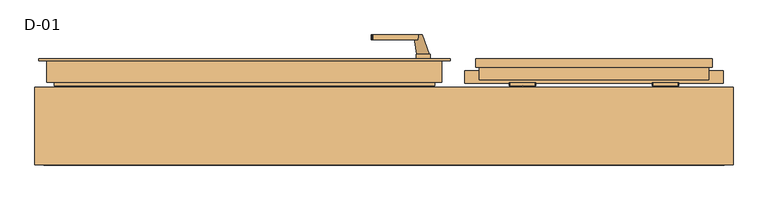
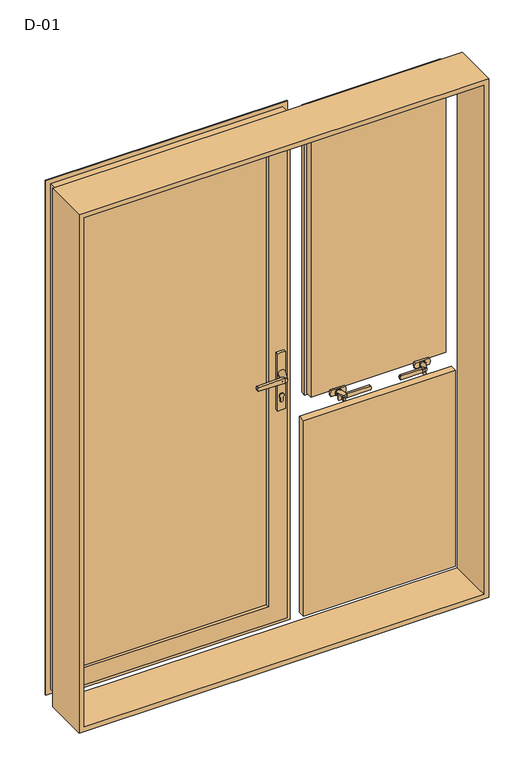
"""IFC4 building model written with IfcOpenShell, lengths in millimetres: door geometry, D-01."""

from ifc_helpers import new_model, si_unit, point, frame, frame_2d, origin, place, context, project, spatial, polyline, circle_curve, ellipse_curve, trimmed, segment, composite_curve, outline, extrude, faceted_brep, source, transform, mapped, element, save
from ifc_brep_helpers import plane_surface, revolved_surface, spline_surface, advanced_brep


def d_01_6885679a(model_context):
    return source(origin(), model_context, "Body", "SolidModel", [
        extrude(outline(polyline([(54.0295117, 81.3929004), (-649.0295117, 81.3929004), (-649.0295117, 107.3929004), (54.0295117, 107.3929004), (54.0295117, 81.3929004)])), frame((0.0, 0.0, 100.9705278), z_axis=(0.0, 0.0, 1.0), x_axis=(1.0, 0.0, 0.0)), (0.0, 0.0, 1.0), 1841.4295117),
        extrude(outline(polyline([(692.4, 81.9927198), (202.6, 81.9927198), (202.6, 107.9927198), (692.4, 107.9927198), (692.4, 81.9927198)])), frame((0.0, 0.0, 852.6000396), z_axis=(0.0, 0.0, 1.0), x_axis=(1.0, 0.0, 0.0)), (0.0, 0.0, 1.0), 1089.8),
        extrude(outline(polyline([(723.0, 74.3927452), (172.0, 74.3927452), (172.0, 100.3927452), (723.0, 100.3927452), (723.0, 74.3927452)])), frame((0.0, 0.0, 26.9999604), z_axis=(0.0, 0.0, 1.0), x_axis=(1.0, 0.0, 0.0)), (0.0, 0.0, 1.0), 751.0000396),
        extrude(outline(polyline([(1993.8, 743.8), (1993.8, -743.8), (6.2, -743.8), (6.2, 743.8), (1993.8, 743.8)]), holes=[polyline([(24.7, 725.3), (24.7, -725.3), (1975.3, -725.3), (1975.3, 725.3), (24.7, 725.3)])]), frame((0.0, -100.0, 0.0), z_axis=(0.0, 1.0, 0.0), x_axis=(0.0, 0.0, 1.0)), (0.0, 0.0, 1.0), 165.9999813),
        advanced_brep(
        [(41.0295117, 114.7230026, 1886.0295117), (41.0295117, 114.7230026, 113.9704883), (38.8870152, 107.3929004, 116.1129848), (38.8870152, 107.3929004, 1883.8870152), (61.0295117, 107.3929004, 93.9704883), (61.0295117, 107.3929004, 1906.0295117), (-656.0295117, 107.3929004, 1906.0295117), (-656.0295117, 107.3929004, 93.9704883), (-633.8870152, 107.3929004, 116.1129848), (-633.8870152, 107.3929004, 1883.8870152), (-636.0295117, 114.7230026, 113.9704883), (41.0295117, 126.0000928, 1886.0295117), (41.0295117, 126.0000928, 113.9704883), (-636.0295117, 126.0000928, 113.9704883), (61.0295117, 126.0000928, 1906.0295117), (61.0295117, 126.0000928, 93.9704883), (-656.0295117, 126.0000928, 93.9704883), (-656.0295117, 126.0000928, 1906.0295117), (-636.0295117, 126.0000928, 1886.0295117), (-636.0295117, 114.7230026, 1886.0295117)],
        [
            (0, 1),
            (1, 2, ellipse_curve(frame((21.4221, 116.4758386, 133.5779), z_axis=(-0.7071067811865475, 0.0, -0.7071067811865475), x_axis=(0.7071067811865474, 0.0, -0.7071067811865476)), 27.839649, 19.6856046)),
            (2, 3),
            (3, 0, ellipse_curve(frame((21.4221, 116.4758386, 1866.4221), z_axis=(-0.7071067811865475, 0.0, 0.7071067811865475), x_axis=(-0.7071067811865474, 0.0, -0.7071067811865476)), 27.839649, 19.6856046)),
            (4, 5),
            (5, 6),
            (6, 7),
            (7, 4),
            (2, 8),
            (8, 9),
            (9, 3),
            (1, 10),
            (10, 8, ellipse_curve(frame((-616.4221, 116.4758386, 133.5779), z_axis=(-0.7071067811865475, 0.0, 0.7071067811865475), x_axis=(-0.7071067811865476, 0.0, -0.7071067811865474)), 27.839649, 19.6856046)),
            (11, 12),
            (12, 1),
            (0, 11),
            (12, 13),
            (13, 10),
            (14, 15),
            (15, 16),
            (16, 17),
            (17, 14),
            (11, 18),
            (18, 13),
            (4, 15),
            (14, 5),
            (7, 16),
            (10, 19),
            (19, 9, ellipse_curve(frame((-616.4221, 116.4758386, 1866.4221), z_axis=(0.7071067811865475, 0.0, 0.7071067811865475), x_axis=(-0.7071067811865474, 0.0, 0.7071067811865476)), 27.839649, 19.6856046)),
            (18, 19),
            (6, 17),
            (19, 0),
        ],
        [
            revolved_surface(polyline([(41.107704600000005, 116.4758386, 113.8922954062466), (41.107704600000005, 116.4758386, 1886.1077045937534)]), (21.4221, 116.4758386, 1906.0295117), (0.0, 0.0, -1.0)),
            plane_surface(frame((-656.0295117, 107.3929004, 1906.0295117), z_axis=(0.0, -1.0, 0.0), x_axis=(1.0, 0.0, 0.0))),
            revolved_surface(polyline([(-636.1077045937534, 116.4758386, 113.8922954), (41.10770459375328, 116.4758386, 113.8922954)]), (61.0295117, 116.4758386, 133.5779), (-1.0, 0.0, 0.0)),
            plane_surface(frame((41.0295117, 114.7230026, 1886.0295117), z_axis=(-1.0, 0.0, 0.0), x_axis=(0.0, 0.0, -1.0))),
            plane_surface(frame((41.0295117, 114.7230026, 113.9704883), z_axis=(0.0, 0.0, 1.0), x_axis=(-1.0, 0.0, 0.0))),
            plane_surface(frame((-636.0295117, 126.0000928, 1886.0295117), z_axis=(0.0, 1.0, 0.0), x_axis=(1.0, 0.0, 0.0))),
            plane_surface(frame((61.0295117, 126.0000928, 1906.0295117), z_axis=(1.0, 0.0, 0.0), x_axis=(0.0, 0.0, -1.0))),
            plane_surface(frame((61.0295117, 126.0000928, 93.9704883), z_axis=(0.0, 0.0, -1.0), x_axis=(-1.0, 0.0, 0.0))),
            revolved_surface(polyline([(-636.1077046, 116.4758386, 1886.1077045937534), (-636.1077046, 116.4758386, 113.89229540624672)]), (-616.4221, 116.4758386, 93.9704883), (0.0, 0.0, 1.0)),
            plane_surface(frame((-636.0295117, 114.7230026, 113.9704883), z_axis=(1.0, 0.0, 0.0), x_axis=(0.0, 0.0, 1.0))),
            plane_surface(frame((-656.0295117, 126.0000928, 93.9704883), z_axis=(-1.0, 0.0, 0.0), x_axis=(0.0, 0.0, 1.0))),
            revolved_surface(polyline([(41.10770459375328, 116.4758386, 1886.1077046), (-636.1077045937533, 116.4758386, 1886.1077046)]), (-656.0295117, 116.4758386, 1866.4221), (1.0, 0.0, 0.0)),
            plane_surface(frame((-636.0295117, 114.7230026, 1886.0295117), z_axis=(0.0, 0.0, -1.0), x_axis=(1.0, 0.0, 0.0))),
            plane_surface(frame((-656.0295117, 126.0000928, 1906.0295117), z_axis=(0.0, 0.0, 1.0), x_axis=(1.0, 0.0, 0.0))),
        ],
        [
            (0, [[1, 2, 3, 4]]),
            (1, [[5, 6, 7, 8], [-3, 9, 10, 11]]),
            (2, [[12, 13, -9, -2]]),
            (3, [[14, 15, -1, 16]]),
            (4, [[17, 18, -12, -15]]),
            (5, [[19, 20, 21, 22], [-14, 23, 24, -17]]),
            (6, [[-5, 25, -19, 26]]),
            (7, [[-8, 27, -20, -25]]),
            (8, [[28, 29, -10, -13]]),
            (9, [[-24, 30, -28, -18]]),
            (10, [[-7, 31, -21, -27]]),
            (11, [[32, -4, -11, -29]]),
            (12, [[-23, -16, -32, -30]]),
            (13, [[-6, -26, -22, -31]]),
        ],
    ),
        extrude(outline(composite_curve([segment(trimmed(circle_curve(frame_2d((895.7, 83.5)), 5.0), [point((895.7, 78.5))], [point((895.7, 88.5))], False, "CARTESIAN"), True, "CONTINUOUS"), segment(polyline([(895.7, 88.5), (908.3261365, 88.5)]), True, "CONTINUOUS"), segment(trimmed(circle_curve(frame_2d((915.2, 83.5)), 8.5), [point((908.3261365, 88.5))], [point((908.3261365, 78.5))], False, "CARTESIAN"), True, "CONTINUOUS"), segment(polyline([(908.3261365, 78.5), (895.7, 78.5)]), True, "CONTINUOUS")], self_intersect=False)), frame((0.0, 58.0000848, 0.0), z_axis=(0.0, 1.0, 0.0), x_axis=(0.0, 0.0, 1.0)), (0.0, 0.0, 1.0), 11.0),
        extrude(outline(composite_curve([segment(polyline([(860.0, 98.4), (1078.5, 98.4)]), True, "CONTINUOUS"), segment(trimmed(circle_curve(frame_2d((982.3844339, 83.5)), 97.2636214), [point((1078.5, 98.4))], [point((1078.5, 68.6))], False, "CARTESIAN"), True, "CONTINUOUS"), segment(polyline([(1078.5, 68.6), (860.0, 68.6)]), True, "CONTINUOUS"), segment(trimmed(circle_curve(frame_2d((956.1155661, 83.5)), 97.2636214), [point((860.0, 68.6))], [point((860.0, 98.4))], False, "CARTESIAN"), True, "CONTINUOUS")], self_intersect=False), holes=[composite_curve([segment(trimmed(circle_curve(frame_2d((895.7, 83.5)), 5.0), [point((895.7, 88.5))], [point((895.7, 78.5))], True, "CARTESIAN"), True, "CONTINUOUS"), segment(polyline([(895.7, 78.5), (908.3261365, 78.5)]), True, "CONTINUOUS"), segment(trimmed(circle_curve(frame_2d((915.2, 83.5)), 8.5), [point((908.3261365, 78.5))], [point((908.3261365, 88.5))], True, "CARTESIAN"), True, "CONTINUOUS"), segment(polyline([(908.3261365, 88.5), (895.7, 88.5)]), True, "CONTINUOUS")], self_intersect=False)]), frame((0.0, 59.0000848, 0.0), z_axis=(0.0, 1.0, 0.0), x_axis=(0.0, 0.0, 1.0)), (0.0, 0.0, 1.0), 10.0),
        extrude(outline(composite_curve([segment(polyline([(1009.5, 72.5), (1006.9691269, -24.1501444)]), True, "CONTINUOUS"), segment(trimmed(circle_curve(frame_2d((1004.9698123, -24.0977905)), 2.0), [point((1006.9691269, -24.1501444))], [point((1005.4874503, -26.0296421))], False, "CARTESIAN"), True, "CONTINUOUS"), segment(polyline([(1005.4874503, -26.0296421), (1000.0, -27.5), (994.5125497, -26.0296421)]), True, "CONTINUOUS"), segment(trimmed(circle_curve(frame_2d((995.0301877, -24.0977905)), 2.0), [point((994.5125497, -26.0296421))], [point((993.0308731, -24.1501444))], False, "CARTESIAN"), True, "CONTINUOUS"), segment(polyline([(993.0308731, -24.1501444), (990.5, 72.5), (1009.5, 72.5)]), True, "CONTINUOUS")], self_intersect=False)), frame((0.0, 18.0000848, 0.0), z_axis=(0.0, 1.0, 0.0), x_axis=(0.0, 0.0, 1.0)), (0.0, 0.0, 1.0), 10.0),
        advanced_brep(
        [(82.0, 18.0000848, 1000.0), (63.0, 18.0000848, 1000.0), (96.9, 59.0000848, 1000.0), (70.1, 59.0000848, 1000.0)],
        [
            (0, 1, circle_curve(frame((72.5, 18.0000848, 1000.0), z_axis=(0.0, -1.0, 0.0), x_axis=(-1.0, 0.0, 0.0)), 9.5)),
            (1, 0, circle_curve(frame((72.5, 18.0000848, 1000.0), z_axis=(0.0, -1.0, 0.0), x_axis=(-1.0, 0.0, 0.0)), 9.5)),
            (2, 3, circle_curve(frame((83.5, 59.0000848, 1000.0), z_axis=(0.0, 1.0, 0.0), x_axis=(-1.0, 0.0, 0.0)), 13.4)),
            (3, 2, circle_curve(frame((83.5, 59.0000848, 1000.0), z_axis=(0.0, 1.0, 0.0), x_axis=(-1.0, 0.0, 0.0)), 13.4)),
            (2, 0),
            (1, 3),
        ],
        [
            plane_surface(frame((72.5, 18.0000848, 1000.0), z_axis=(0.0, -1.0, 0.0), x_axis=(0.0, 0.0, -1.0))),
            plane_surface(frame((83.5, 59.0000848, 1000.0), z_axis=(0.0, 1.0, 0.0), x_axis=(0.0, 0.0, -1.0))),
            spline_surface(1, 2, [[(96.9, 59.0000848, 1000.0), (96.9, 59.0000848, 986.6), (83.5, 59.0000848, 986.6), (70.1, 59.0000848, 986.6), (70.1, 59.0000848, 1000.0)], [(82.0, 18.0000848, 1000.0), (82.0, 18.0000848, 990.5), (72.5, 18.0000848, 990.5), (63.0, 18.0000848, 990.5), (63.0, 18.0000848, 1000.0)]], [2, 2], [3, 2, 3], [0.0, 1.0], [0.0, 1.0, 2.0], weights=[[1.0, 0.7071067811865476, 1.0, 0.7071067811865476, 1.0], [1.0, 0.7071067811865476, 1.0, 0.7071067811865476, 1.0]]),
            spline_surface(1, 2, [[(70.1, 59.0000848, 1000.0), (70.1, 59.0000848, 1013.4), (83.5, 59.0000848, 1013.4), (96.9, 59.0000848, 1013.4), (96.9, 59.0000848, 1000.0)], [(63.0, 18.0000848, 1000.0), (63.0, 18.0000848, 1009.5), (72.5, 18.0000848, 1009.5), (82.0, 18.0000848, 1009.5), (82.0, 18.0000848, 1000.0)]], [2, 2], [3, 2, 3], [0.0, 1.0], [0.0, 1.0, 2.0], weights=[[1.0, 0.7071067811865476, 1.0, 0.7071067811865476, 1.0], [1.0, 0.7071067811865476, 1.0, 0.7071067811865476, 1.0]]),
        ],
        [
            (0, [[1, 2]]),
            (1, [[3, 4]]),
            (2, [[5, -2, 6, -3]]),
            (3, [[-6, -1, -5, -4]]),
        ],
    ),
        extrude(outline(composite_curve([segment(trimmed(circle_curve(frame_2d((895.7, 83.5)), 5.0), [point((895.7, 78.5))], [point((895.7, 88.5))], False, "CARTESIAN"), True, "CONTINUOUS"), segment(polyline([(895.7, 88.5), (908.3261365, 88.5)]), True, "CONTINUOUS"), segment(trimmed(circle_curve(frame_2d((915.2, 83.5)), 8.5), [point((908.3261365, 88.5))], [point((908.3261365, 78.5))], False, "CARTESIAN"), True, "CONTINUOUS"), segment(polyline([(908.3261365, 78.5), (895.7, 78.5)]), True, "CONTINUOUS")], self_intersect=False)), frame((0.0, 126.0000927, 0.0), z_axis=(0.0, 1.0, 0.0), x_axis=(0.0, 0.0, 1.0)), (0.0, 0.0, 1.0), 11.0),
        extrude(outline(composite_curve([segment(polyline([(860.0, 98.4), (1078.5, 98.4)]), True, "CONTINUOUS"), segment(trimmed(circle_curve(frame_2d((982.3844339, 83.5)), 97.2636214), [point((1078.5, 98.4))], [point((1078.5, 68.6))], False, "CARTESIAN"), True, "CONTINUOUS"), segment(polyline([(1078.5, 68.6), (860.0, 68.6)]), True, "CONTINUOUS"), segment(trimmed(circle_curve(frame_2d((956.1155661, 83.5)), 97.2636214), [point((860.0, 68.6))], [point((860.0, 98.4))], False, "CARTESIAN"), True, "CONTINUOUS")], self_intersect=False), holes=[composite_curve([segment(trimmed(circle_curve(frame_2d((895.7, 83.5)), 5.0), [point((895.7, 88.5))], [point((895.7, 78.5))], True, "CARTESIAN"), True, "CONTINUOUS"), segment(polyline([(895.7, 78.5), (908.3261365, 78.5)]), True, "CONTINUOUS"), segment(trimmed(circle_curve(frame_2d((915.2, 83.5)), 8.5), [point((908.3261365, 78.5))], [point((908.3261365, 88.5))], True, "CARTESIAN"), True, "CONTINUOUS"), segment(polyline([(908.3261365, 88.5), (895.7, 88.5)]), True, "CONTINUOUS")], self_intersect=False)]), frame((0.0, 126.0000927, 0.0), z_axis=(0.0, 1.0, 0.0), x_axis=(0.0, 0.0, 1.0)), (0.0, 0.0, 1.0), 10.0),
        extrude(outline(composite_curve([segment(polyline([(1009.5, 72.5), (1006.9691269, -24.1501444)]), True, "CONTINUOUS"), segment(trimmed(circle_curve(frame_2d((1004.9698123, -24.0977905)), 2.0), [point((1006.9691269, -24.1501444))], [point((1005.4874503, -26.0296421))], False, "CARTESIAN"), True, "CONTINUOUS"), segment(polyline([(1005.4874503, -26.0296421), (1000.0, -27.5), (994.5125497, -26.0296421)]), True, "CONTINUOUS"), segment(trimmed(circle_curve(frame_2d((995.0301877, -24.0977905)), 2.0), [point((994.5125497, -26.0296421))], [point((993.0308731, -24.1501444))], False, "CARTESIAN"), True, "CONTINUOUS"), segment(polyline([(993.0308731, -24.1501444), (990.5, 72.5), (1009.5, 72.5)]), True, "CONTINUOUS")], self_intersect=False)), frame((0.0, 167.0000927, 0.0), z_axis=(0.0, 1.0, 0.0), x_axis=(0.0, 0.0, 1.0)), (0.0, 0.0, 1.0), 10.0),
        advanced_brep(
        [(82.0, 177.0000927, 1000.0), (63.0, 177.0000927, 1000.0), (96.9, 136.0000927, 1000.0), (70.1, 136.0000927, 1000.0)],
        [
            (0, 1, circle_curve(frame((72.5, 177.0000927, 1000.0), z_axis=(0.0, 1.0, 0.0), x_axis=(-1.0, 0.0, 0.0)), 9.5)),
            (1, 0, circle_curve(frame((72.5, 177.0000927, 1000.0), z_axis=(0.0, 1.0, 0.0), x_axis=(-1.0, 0.0, 0.0)), 9.5)),
            (2, 3, circle_curve(frame((83.5, 136.0000927, 1000.0), z_axis=(0.0, -1.0, 0.0), x_axis=(-1.0, 0.0, 0.0)), 13.4)),
            (3, 2, circle_curve(frame((83.5, 136.0000927, 1000.0), z_axis=(0.0, -1.0, 0.0), x_axis=(-1.0, 0.0, 0.0)), 13.4)),
            (3, 1),
            (0, 2),
        ],
        [
            plane_surface(frame((72.5, 177.0000927, 1000.0), z_axis=(0.0, 1.0, 0.0), x_axis=(0.0, 0.0, -1.0))),
            plane_surface(frame((83.5, 136.0000927, 1000.0), z_axis=(0.0, -1.0, 0.0), x_axis=(0.0, 0.0, -1.0))),
            spline_surface(2, 1, [[(96.9, 136.0000927, 1000.0), (82.0, 177.0000927, 1000.0)], [(96.9, 136.0000927, 986.6), (82.0, 177.0000927, 990.5)], [(83.5, 136.0000927, 986.6), (72.5, 177.0000927, 990.5)], [(70.1, 136.0000927, 986.6), (63.0, 177.0000927, 990.5)], [(70.1, 136.0000927, 1000.0), (63.0, 177.0000927, 1000.0)]], [3, 2, 3], [2, 2], [0.0, 1.0, 2.0], [0.0, 1.0], weights=[[1.0, 1.0], [0.7071067811865476, 0.7071067811865476], [1.0, 1.0], [0.7071067811865476, 0.7071067811865476], [1.0, 1.0]]),
            spline_surface(2, 1, [[(70.1, 136.0000927, 1000.0), (63.0, 177.0000927, 1000.0)], [(70.1, 136.0000927, 1013.4), (63.0, 177.0000927, 1009.5)], [(83.5, 136.0000927, 1013.4), (72.5, 177.0000927, 1009.5)], [(96.9, 136.0000927, 1013.4), (82.0, 177.0000927, 1009.5)], [(96.9, 136.0000927, 1000.0), (82.0, 177.0000927, 1000.0)]], [3, 2, 3], [2, 2], [0.0, 1.0, 2.0], [0.0, 1.0], weights=[[1.0, 1.0], [0.7071067811865476, 0.7071067811865476], [1.0, 1.0], [0.7071067811865476, 0.7071067811865476], [1.0, 1.0]]),
        ],
        [
            (0, [[1, 2]]),
            (1, [[3, 4]]),
            (2, [[-4, 5, -1, 6]]),
            (3, [[-3, -6, -2, -5]]),
        ],
    ),
        faceted_brep([(141.029509, 122.4000726, 1986.029509), (141.029509, 122.4000726, 13.970491), (141.029509, 126.0000927, 13.970491), (141.029509, 126.0000927, 1986.029509), (-736.029509, 126.0000927, 1986.029509), (-736.029509, 126.0000927, 13.970491), (61.0295117, 126.0000927, 1906.0295117), (-656.0295117, 126.0000927, 1906.0295117), (-656.0295117, 126.0000927, 93.9704883), (61.0295117, 126.0000927, 93.9704883), (-736.029509, 122.4000726, 13.970491), (-736.029509, 122.4000726, 1986.029509), (-718.529519, 122.4000726, 1968.529519), (123.529519, 122.4000726, 1968.529519), (123.529519, 122.4000726, 31.470481), (-718.529519, 122.4000726, 31.470481), (123.529519, 75.9989223, 1968.529519), (123.529519, 75.9989223, 31.470481), (-718.529519, 75.9989223, 31.470481), (-718.529519, 75.9989223, 1968.529519), (-703.0352158, 75.9989223, 1953.0352158), (108.0352158, 75.9989223, 1953.0352158), (108.0352158, 75.9989223, 46.9647842), (-703.0352158, 75.9989223, 46.9647842), (108.0352158, 69.0000848, 1953.0352158), (108.0352158, 69.0000848, 46.9647842), (-703.0352158, 69.0000848, 46.9647842), (-703.0352158, 69.0000848, 1953.0352158), (-636.0300864, 69.0000848, 1886.0300864), (41.0300864, 69.0000848, 1886.0300864), (41.0300864, 69.0000848, 113.9699136), (-636.0300864, 69.0000848, 113.9699136), (41.0300864, 79.598921, 1886.0300864), (41.0300864, 79.598921, 113.9699136), (-636.0300864, 79.598921, 113.9699136), (-656.0295117, 79.598921, 1906.0295117), (61.0295117, 79.598921, 1906.0295117), (61.0295117, 79.598921, 93.9704883), (-656.0295117, 79.598921, 93.9704883), (-636.0300864, 79.598921, 1886.0300864)], [[[0, 1, 2, 3]], [[4, 3, 2, 5], [6, 7, 8, 9]], [[1, 10, 5, 2]], [[0, 11, 10, 1], [12, 13, 14, 15]], [[16, 17, 14, 13]], [[17, 18, 15, 14]], [[16, 19, 18, 17], [20, 21, 22, 23]], [[24, 25, 22, 21]], [[25, 26, 23, 22]], [[24, 27, 26, 25], [28, 29, 30, 31]], [[32, 33, 30, 29]], [[33, 34, 31, 30]], [[35, 36, 37, 38], [32, 39, 34, 33]], [[6, 9, 37, 36]], [[9, 8, 38, 37]], [[10, 11, 4, 5]], [[18, 19, 12, 15]], [[26, 27, 20, 23]], [[34, 39, 28, 31]], [[8, 7, 35, 38]], [[11, 0, 3, 4]], [[19, 16, 13, 12]], [[27, 24, 21, 20]], [[39, 32, 29, 28]], [[7, 6, 36, 35]]]),
        advanced_brep(
        [(679.4, 115.322822, 1929.4000396), (679.4, 115.322822, 865.6000396), (677.2575034, 107.9927198, 867.7425361), (677.2575034, 107.9927198, 1927.257543), (699.4, 107.9927198, 845.6000396), (699.4, 107.9927198, 1949.4000396), (195.6, 107.9927198, 1949.4000396), (195.6, 107.9927198, 845.6000396), (217.7424966, 107.9927198, 867.7425361), (217.7424966, 107.9927198, 1927.257543), (215.6, 115.322822, 865.6000396), (679.4, 126.5999122, 1929.4000396), (679.4, 126.5999122, 865.6000396), (215.6, 126.5999122, 865.6000396), (699.4, 126.5999122, 1949.4000396), (699.4, 126.5999122, 845.6000396), (195.6, 126.5999122, 845.6000396), (195.6, 126.5999122, 1949.4000396), (215.6, 126.5999122, 1929.4000396), (215.6, 115.322822, 1929.4000396)],
        [
            (0, 1),
            (1, 2, ellipse_curve(frame((659.7925883, 117.0756581, 885.2074513), z_axis=(-0.7071067811865475, 0.0, -0.7071067811865475), x_axis=(0.7071067811865474, 0.0, -0.7071067811865476)), 27.839649, 19.6856046)),
            (2, 3),
            (3, 0, ellipse_curve(frame((659.7925883, 117.0756581, 1909.7926278), z_axis=(-0.7071067811865475, 0.0, 0.7071067811865475), x_axis=(-0.7071067811865474, 0.0, -0.7071067811865476)), 27.839649, 19.6856046)),
            (4, 5),
            (5, 6),
            (6, 7),
            (7, 4),
            (2, 8),
            (8, 9),
            (9, 3),
            (1, 10),
            (10, 8, ellipse_curve(frame((235.2074117, 117.0756581, 885.2074513), z_axis=(-0.7071067811865475, 0.0, 0.7071067811865475), x_axis=(-0.7071067811865476, 0.0, -0.7071067811865474)), 27.839649, 19.6856046)),
            (11, 12),
            (12, 1),
            (0, 11),
            (12, 13),
            (13, 10),
            (14, 15),
            (15, 16),
            (16, 17),
            (17, 14),
            (11, 18),
            (18, 13),
            (4, 15),
            (14, 5),
            (7, 16),
            (10, 19),
            (19, 9, ellipse_curve(frame((235.2074117, 117.0756581, 1909.7926278), z_axis=(0.7071067811865475, 0.0, 0.7071067811865475), x_axis=(-0.7071067811865474, 0.0, 0.7071067811865476)), 27.839649, 19.6856046)),
            (18, 19),
            (6, 17),
            (19, 0),
        ],
        [
            revolved_surface(polyline([(679.4781929000001, 117.0756581, 865.5218467062466), (679.4781929000001, 117.0756581, 1929.4782323937534)]), (659.7925883, 117.0756581, 1949.4000396), (0.0, 0.0, -1.0)),
            plane_surface(frame((195.6, 107.9927198, 1949.4000396), z_axis=(0.0, -1.0, 0.0), x_axis=(1.0, 0.0, 0.0))),
            revolved_surface(polyline([(215.52180710624668, 117.0756581, 865.5218467), (679.4781928937533, 117.0756581, 865.5218467)]), (699.4, 117.0756581, 885.2074513), (-1.0, 0.0, 0.0)),
            plane_surface(frame((679.4, 115.322822, 1929.4000396), z_axis=(-1.0, 0.0, 0.0), x_axis=(0.0, 0.0, -1.0))),
            plane_surface(frame((679.4, 115.322822, 865.6000396), z_axis=(0.0, 0.0, 1.0), x_axis=(-1.0, 0.0, 0.0))),
            plane_surface(frame((215.6, 126.5999122, 1929.4000396), z_axis=(0.0, 1.0, 0.0), x_axis=(1.0, 0.0, 0.0))),
            plane_surface(frame((699.4, 126.5999122, 1949.4000396), z_axis=(1.0, 0.0, 0.0), x_axis=(0.0, 0.0, -1.0))),
            plane_surface(frame((699.4, 126.5999122, 845.6000396), z_axis=(0.0, 0.0, -1.0), x_axis=(-1.0, 0.0, 0.0))),
            revolved_surface(polyline([(215.5218071, 117.0756581, 1929.4782323937534), (215.5218071, 117.0756581, 865.5218467062467)]), (235.2074117, 117.0756581, 845.6000396), (0.0, 0.0, 1.0)),
            plane_surface(frame((215.6, 115.322822, 865.6000396), z_axis=(1.0, 0.0, 0.0), x_axis=(0.0, 0.0, 1.0))),
            plane_surface(frame((195.6, 126.5999122, 845.6000396), z_axis=(-1.0, 0.0, 0.0), x_axis=(0.0, 0.0, 1.0))),
            revolved_surface(polyline([(679.4781928937533, 117.0756581, 1929.4782324), (215.5218071062467, 117.0756581, 1929.4782324)]), (195.6, 117.0756581, 1909.7926278), (1.0, 0.0, 0.0)),
            plane_surface(frame((215.6, 115.322822, 1929.4000396), z_axis=(0.0, 0.0, -1.0), x_axis=(1.0, 0.0, 0.0))),
            plane_surface(frame((195.6, 126.5999122, 1949.4000396), z_axis=(0.0, 0.0, 1.0), x_axis=(1.0, 0.0, 0.0))),
        ],
        [
            (0, [[1, 2, 3, 4]]),
            (1, [[5, 6, 7, 8], [-3, 9, 10, 11]]),
            (2, [[12, 13, -9, -2]]),
            (3, [[14, 15, -1, 16]]),
            (4, [[17, 18, -12, -15]]),
            (5, [[19, 20, 21, 22], [-14, 23, 24, -17]]),
            (6, [[-5, 25, -19, 26]]),
            (7, [[-8, 27, -20, -25]]),
            (8, [[28, 29, -10, -13]]),
            (9, [[-24, 30, -28, -18]]),
            (10, [[-7, 31, -21, -27]]),
            (11, [[32, -4, -11, -29]]),
            (12, [[-23, -16, -32, -30]]),
            (13, [[-6, -26, -22, -31]]),
        ],
    ),
        extrude(outline(composite_curve([segment(polyline([(826.7, 591.567995), (826.7, 594.432005)]), True, "CONTINUOUS"), segment(trimmed(circle_curve(frame_2d((829.7, 594.432005)), 3.0), [point((826.7, 594.432005))], [point((829.5429921, 597.4278936))], False, "CARTESIAN"), True, "CONTINUOUS"), segment(polyline([(829.5429921, 597.4278936), (850.0, 598.5), (850.0, 587.5), (829.5429921, 588.5721064)]), True, "CONTINUOUS"), segment(trimmed(circle_curve(frame_2d((829.7, 591.567995)), 3.0), [point((829.5429921, 588.5721064))], [point((826.7, 591.567995))], False, "CARTESIAN"), True, "CONTINUOUS")], self_intersect=False)), frame((0.0, 42.4999039, 0.0), z_axis=(0.0, 1.0, 0.0), x_axis=(0.0, 0.0, 1.0)), (0.0, 0.0, 1.0), 4.9),
        extrude(outline(composite_curve([segment(polyline([(822.7, 596.2776261), (822.7, 601.7223739)]), True, "CONTINUOUS"), segment(trimmed(circle_curve(frame_2d((825.7, 601.7223739)), 3.0), [point((822.7, 601.7223739))], [point((825.5429921, 604.7182625))], False, "CARTESIAN"), True, "CONTINUOUS"), segment(polyline([(825.5429921, 604.7182625), (850.0, 606.0), (850.0, 592.0), (825.5429921, 593.2817375)]), True, "CONTINUOUS"), segment(trimmed(circle_curve(frame_2d((825.7, 596.2776261)), 3.0), [point((825.5429921, 593.2817375))], [point((822.7, 596.2776261))], False, "CARTESIAN"), True, "CONTINUOUS")], self_intersect=False)), frame((0.0, 59.2999039, 0.0), z_axis=(0.0, 1.0, 0.0), x_axis=(0.0, 0.0, 1.0)), (0.0, 0.0, 1.0), 5.3),
        extrude(outline(composite_curve([segment(trimmed(circle_curve(frame_2d((855.2, 503.2340659)), 2.0), [point((857.2, 503.2340659))], [point((855.9427814, 501.3771125))], False, "CARTESIAN"), True, "CONTINUOUS"), segment(polyline([(855.9427814, 501.3771125), (851.4855627, 499.5942251)]), True, "CONTINUOUS"), segment(trimmed(circle_curve(frame_2d((850.0, 503.3081318)), 4.0), [point((851.4855627, 499.5942251))], [point((848.5144373, 499.5942251))], False, "CARTESIAN"), True, "CONTINUOUS"), segment(polyline([(848.5144373, 499.5942251), (844.0572186, 501.3771125)]), True, "CONTINUOUS"), segment(trimmed(circle_curve(frame_2d((844.8, 503.2340659)), 2.0), [point((844.0572186, 501.3771125))], [point((842.8, 503.2340659))], False, "CARTESIAN"), True, "CONTINUOUS"), segment(polyline([(842.8, 503.2340659), (842.8, 589.0), (857.2, 589.0), (857.2, 503.2340659)]), True, "CONTINUOUS")], self_intersect=False)), frame((0.0, 34.5999039, 0.0), z_axis=(0.0, 1.0, 0.0), x_axis=(0.0, 0.0, 1.0)), (0.0, 0.0, 1.0), 7.0),
        extrude(outline(composite_curve([segment(trimmed(circle_curve(frame_2d((850.0, 600.0)), 7.0), [point((850.0, 607.0))], [point((850.0, 593.0))], False, "CARTESIAN"), True, "CONTINUOUS"), segment(trimmed(circle_curve(frame_2d((850.0, 600.0)), 7.0), [point((850.0, 593.0))], [point((850.0, 607.0))], False, "CARTESIAN"), True, "CONTINUOUS")], self_intersect=False)), frame((0.0, 64.5999039, 0.0), z_axis=(0.0, 1.0, 0.0), x_axis=(0.0, 0.0, 1.0)), (0.0, 0.0, 1.0), 1.5),
        advanced_brep(
        [(596.5, 34.5999039, 850.0), (581.5, 34.5999039, 850.0), (609.0, 64.5999039, 850.0), (591.0, 64.5999039, 850.0)],
        [
            (0, 1, circle_curve(frame((589.0, 34.5999039, 850.0), z_axis=(0.0, -1.0, 0.0), x_axis=(-1.0, 0.0, 0.0)), 7.5)),
            (1, 0, circle_curve(frame((589.0, 34.5999039, 850.0), z_axis=(0.0, -1.0, 0.0), x_axis=(-1.0, 0.0, 0.0)), 7.5)),
            (2, 3, circle_curve(frame((600.0, 64.5999039, 850.0), z_axis=(0.0, 1.0, 0.0), x_axis=(-1.0, 0.0, 0.0)), 9.0)),
            (3, 2, circle_curve(frame((600.0, 64.5999039, 850.0), z_axis=(0.0, 1.0, 0.0), x_axis=(-1.0, 0.0, 0.0)), 9.0)),
            (2, 0),
            (1, 3),
        ],
        [
            plane_surface(frame((589.0, 34.5999039, 850.0), z_axis=(0.0, -1.0, 0.0), x_axis=(0.0, 0.0, -1.0))),
            plane_surface(frame((600.0, 64.5999039, 850.0), z_axis=(0.0, 1.0, 0.0), x_axis=(0.0, 0.0, -1.0))),
            spline_surface(1, 2, [[(609.0, 64.5999039, 850.0), (609.0, 64.5999039, 841.0), (600.0, 64.5999039, 841.0), (591.0, 64.5999039, 841.0), (591.0, 64.5999039, 850.0)], [(596.5, 34.5999039, 850.0), (596.5, 34.5999039, 842.5), (589.0, 34.5999039, 842.5), (581.5, 34.5999039, 842.5), (581.5, 34.5999039, 850.0)]], [2, 2], [3, 2, 3], [0.0, 1.0], [0.0, 1.0, 2.0], weights=[[1.0, 0.7071067811865476, 1.0, 0.7071067811865476, 1.0], [1.0, 0.7071067811865476, 1.0, 0.7071067811865476, 1.0]]),
            spline_surface(1, 2, [[(591.0, 64.5999039, 850.0), (591.0, 64.5999039, 859.0), (600.0, 64.5999039, 859.0), (609.0, 64.5999039, 859.0), (609.0, 64.5999039, 850.0)], [(581.5, 34.5999039, 850.0), (581.5, 34.5999039, 857.5), (589.0, 34.5999039, 857.5), (596.5, 34.5999039, 857.5), (596.5, 34.5999039, 850.0)]], [2, 2], [3, 2, 3], [0.0, 1.0], [0.0, 1.0, 2.0], weights=[[1.0, 0.7071067811865476, 1.0, 0.7071067811865476, 1.0], [1.0, 0.7071067811865476, 1.0, 0.7071067811865476, 1.0]]),
        ],
        [
            (0, [[1, 2]]),
            (1, [[3, 4]]),
            (2, [[5, -2, 6, -3]]),
            (3, [[-6, -1, -5, -4]]),
        ],
    ),
        extrude(outline(composite_curve([segment(trimmed(circle_curve(frame_2d((850.0, 600.0)), 10.6), [point((850.0, 610.6))], [point((850.0, 589.4))], False, "CARTESIAN"), True, "CONTINUOUS"), segment(polyline([(850.0, 589.4), (838.95, 589.4), (838.95, 610.6), (850.0, 610.6)]), True, "CONTINUOUS")], self_intersect=False)), frame((0.0, 66.0999039, 0.0), z_axis=(0.0, 1.0, 0.0), x_axis=(0.0, 0.0, 1.0)), (0.0, 0.0, 1.0), 2.8),
        extrude(outline(composite_curve([segment(polyline([(838.95, 574.0), (838.95, 626.0)]), True, "CONTINUOUS"), segment(trimmed(circle_curve(frame_2d((850.0, 603.2967472)), 25.2495582), [point((838.95, 626.0))], [point((861.05, 626.0))], False, "CARTESIAN"), True, "CONTINUOUS"), segment(polyline([(861.05, 626.0), (861.05, 574.0)]), True, "CONTINUOUS"), segment(trimmed(circle_curve(frame_2d((850.0, 596.7032528)), 25.2495582), [point((861.05, 574.0))], [point((838.95, 574.0))], False, "CARTESIAN"), True, "CONTINUOUS")], self_intersect=False)), frame((0.0, 68.8999039, 0.0), z_axis=(0.0, 1.0, 0.0), x_axis=(0.0, 0.0, 1.0)), (0.0, 0.0, 1.0), 6.7),
        extrude(outline(composite_curve([segment(trimmed(circle_curve(frame_2d((829.7, 303.432005)), 3.0), [point((826.7, 303.432005))], [point((829.5429921, 306.4278936))], False, "CARTESIAN"), True, "CONTINUOUS"), segment(polyline([(829.5429921, 306.4278936), (850.0, 307.5), (850.0, 296.5), (829.5429921, 297.5721064)]), True, "CONTINUOUS"), segment(trimmed(circle_curve(frame_2d((829.7, 300.567995)), 3.0), [point((829.5429921, 297.5721064))], [point((826.7, 300.567995))], False, "CARTESIAN"), True, "CONTINUOUS"), segment(polyline([(826.7, 300.567995), (826.7, 303.432005)]), True, "CONTINUOUS")], self_intersect=False)), frame((0.0, 42.4999039, 0.0), z_axis=(0.0, 1.0, 0.0), x_axis=(0.0, 0.0, 1.0)), (0.0, 0.0, 1.0), 4.9),
        extrude(outline(composite_curve([segment(trimmed(circle_curve(frame_2d((825.7, 298.7223739)), 3.0), [point((822.7, 298.7223739))], [point((825.5429921, 301.7182625))], False, "CARTESIAN"), True, "CONTINUOUS"), segment(polyline([(825.5429921, 301.7182625), (850.0, 303.0), (850.0, 289.0), (825.5429921, 290.2817375)]), True, "CONTINUOUS"), segment(trimmed(circle_curve(frame_2d((825.7, 293.2776261)), 3.0), [point((825.5429921, 290.2817375))], [point((822.7, 293.2776261))], False, "CARTESIAN"), True, "CONTINUOUS"), segment(polyline([(822.7, 293.2776261), (822.7, 298.7223739)]), True, "CONTINUOUS")], self_intersect=False)), frame((0.0, 59.2999039, 0.0), z_axis=(0.0, 1.0, 0.0), x_axis=(0.0, 0.0, 1.0)), (0.0, 0.0, 1.0), 5.3),
        extrude(outline(composite_curve([segment(polyline([(857.2, 391.7659341), (857.2, 306.0), (842.8, 306.0), (842.8, 391.7659341)]), True, "CONTINUOUS"), segment(trimmed(circle_curve(frame_2d((844.8, 391.7659341)), 2.0), [point((842.8, 391.7659341))], [point((844.0572186, 393.6228875))], False, "CARTESIAN"), True, "CONTINUOUS"), segment(polyline([(844.0572186, 393.6228875), (848.5144373, 395.4057749)]), True, "CONTINUOUS"), segment(trimmed(circle_curve(frame_2d((850.0, 391.6918682)), 4.0), [point((848.5144373, 395.4057749))], [point((851.4855627, 395.4057749))], False, "CARTESIAN"), True, "CONTINUOUS"), segment(polyline([(851.4855627, 395.4057749), (855.9427814, 393.6228875)]), True, "CONTINUOUS"), segment(trimmed(circle_curve(frame_2d((855.2, 391.7659341)), 2.0), [point((855.9427814, 393.6228875))], [point((857.2, 391.7659341))], False, "CARTESIAN"), True, "CONTINUOUS")], self_intersect=False)), frame((0.0, 34.5999039, 0.0), z_axis=(0.0, 1.0, 0.0), x_axis=(0.0, 0.0, 1.0)), (0.0, 0.0, 1.0), 7.0),
        extrude(outline(composite_curve([segment(trimmed(circle_curve(frame_2d((850.0, 295.0)), 7.0), [point((850.0, 288.0))], [point((850.0, 302.0))], False, "CARTESIAN"), True, "CONTINUOUS"), segment(trimmed(circle_curve(frame_2d((850.0, 295.0)), 7.0), [point((850.0, 302.0))], [point((850.0, 288.0))], False, "CARTESIAN"), True, "CONTINUOUS")], self_intersect=False)), frame((0.0, 64.5999039, 0.0), z_axis=(0.0, 1.0, 0.0), x_axis=(0.0, 0.0, 1.0)), (0.0, 0.0, 1.0), 1.5),
        advanced_brep(
        [(298.5, 34.5999039, 850.0), (313.5, 34.5999039, 850.0), (286.0, 64.5999039, 850.0), (304.0, 64.5999039, 850.0)],
        [
            (0, 1, circle_curve(frame((306.0, 34.5999039, 850.0), z_axis=(0.0, -1.0, 0.0), x_axis=(1.0, 0.0, 0.0)), 7.5)),
            (1, 0, circle_curve(frame((306.0, 34.5999039, 850.0), z_axis=(0.0, -1.0, 0.0), x_axis=(1.0, 0.0, 0.0)), 7.5)),
            (2, 3, circle_curve(frame((295.0, 64.5999039, 850.0), z_axis=(0.0, 1.0, 0.0), x_axis=(1.0, 0.0, 0.0)), 9.0)),
            (3, 2, circle_curve(frame((295.0, 64.5999039, 850.0), z_axis=(0.0, 1.0, 0.0), x_axis=(1.0, 0.0, 0.0)), 9.0)),
            (3, 1),
            (0, 2),
        ],
        [
            plane_surface(frame((306.0, 34.5999039, 850.0), z_axis=(0.0, -1.0, 0.0), x_axis=(0.0, 0.0, -1.0))),
            plane_surface(frame((295.0, 64.5999039, 850.0), z_axis=(0.0, 1.0, 0.0), x_axis=(0.0, 0.0, -1.0))),
            spline_surface(2, 1, [[(286.0, 64.5999039, 850.0), (298.5, 34.5999039, 850.0)], [(286.0, 64.5999039, 841.0), (298.5, 34.5999039, 842.5)], [(295.0, 64.5999039, 841.0), (306.0, 34.5999039, 842.5)], [(304.0, 64.5999039, 841.0), (313.5, 34.5999039, 842.5)], [(304.0, 64.5999039, 850.0), (313.5, 34.5999039, 850.0)]], [3, 2, 3], [2, 2], [0.0, 1.0, 2.0], [0.0, 1.0], weights=[[1.0, 1.0], [0.7071067811865476, 0.7071067811865476], [1.0, 1.0], [0.7071067811865476, 0.7071067811865476], [1.0, 1.0]]),
            spline_surface(2, 1, [[(304.0, 64.5999039, 850.0), (313.5, 34.5999039, 850.0)], [(304.0, 64.5999039, 859.0), (313.5, 34.5999039, 857.5)], [(295.0, 64.5999039, 859.0), (306.0, 34.5999039, 857.5)], [(286.0, 64.5999039, 859.0), (298.5, 34.5999039, 857.5)], [(286.0, 64.5999039, 850.0), (298.5, 34.5999039, 850.0)]], [3, 2, 3], [2, 2], [0.0, 1.0, 2.0], [0.0, 1.0], weights=[[1.0, 1.0], [0.7071067811865476, 0.7071067811865476], [1.0, 1.0], [0.7071067811865476, 0.7071067811865476], [1.0, 1.0]]),
        ],
        [
            (0, [[1, 2]]),
            (1, [[3, 4]]),
            (2, [[-4, 5, -1, 6]]),
            (3, [[-3, -6, -2, -5]]),
        ],
    ),
        extrude(outline(composite_curve([segment(polyline([(850.0, 284.4), (838.95, 284.4), (838.95, 305.6), (850.0, 305.6)]), True, "CONTINUOUS"), segment(trimmed(circle_curve(frame_2d((850.0, 295.0)), 10.6), [point((850.0, 305.6))], [point((850.0, 284.4))], False, "CARTESIAN"), True, "CONTINUOUS")], self_intersect=False)), frame((0.0, 66.0999039, 0.0), z_axis=(0.0, 1.0, 0.0), x_axis=(0.0, 0.0, 1.0)), (0.0, 0.0, 1.0), 2.8),
        extrude(outline(composite_curve([segment(trimmed(circle_curve(frame_2d((850.0, 298.2967472)), 25.2495582), [point((838.95, 321.0))], [point((861.05, 321.0))], False, "CARTESIAN"), True, "CONTINUOUS"), segment(polyline([(861.05, 321.0), (861.05, 269.0)]), True, "CONTINUOUS"), segment(trimmed(circle_curve(frame_2d((850.0, 291.7032528)), 25.2495582), [point((861.05, 269.0))], [point((838.95, 269.0))], False, "CARTESIAN"), True, "CONTINUOUS"), segment(polyline([(838.95, 269.0), (838.95, 321.0)]), True, "CONTINUOUS")], self_intersect=False)), frame((0.0, 68.8999039, 0.0), z_axis=(0.0, 1.0, 0.0), x_axis=(0.0, 0.0, 1.0)), (0.0, 0.0, 1.0), 6.7),
    ])


if __name__ == "__main__":
    model = new_model("IFC4")
    model_context = context("Model", 3, world=origin())
    ifc_project = project(units=[si_unit("LENGTHUNIT", "METRE", prefix="MILLI")], contexts=[model_context])
    site = spatial("IfcSite", under=ifc_project)
    building = spatial("IfcBuilding", under=site)
    placement = place(None, origin())
    d_01_shape = d_01_6885679a(model_context)
    element("IfcDoor", 1, ObjectType="D-01", at=placement, inside=building, context=model_context, shape_type="MappedRepresentation", body=[
        mapped(d_01_shape, transform((0.0, 0.0, 0.0), x_axis=(1.0, 0.0, 0.0), y_axis=(0.0, 1.0, 0.0), z_axis=(0.0, 0.0, 1.0))),
    ])
    save(model, "model.ifc")
